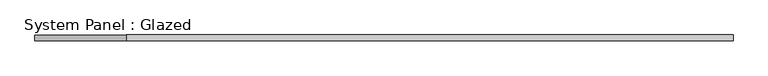
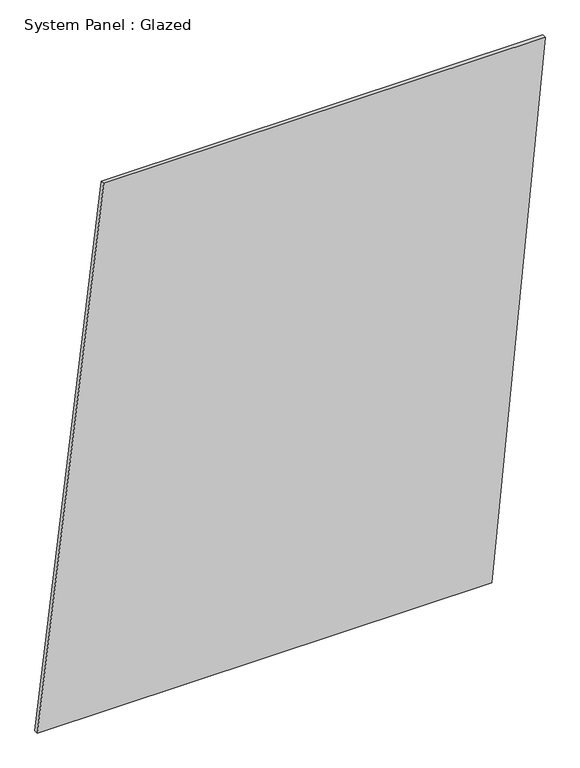
"""IFC4 building model written with IfcOpenShell, lengths in millimetres: plate geometry, System Panel : Glazed."""

from ifc_helpers import new_model, si_unit, frame, origin, place, context, project, spatial, polyline, outline, extrude, source, transform, mapped, element, save


def system_panel_glazed_0836c68f(model_context):
    return source(origin(), model_context, "Body", "SweptSolid", [
        extrude(outline(polyline([(0.0, -1520.9769621), (0.0, 1203.1142415), (3342.1587785, 1520.9769621), (3342.1587785, -1123.6485614), (0.0, -1520.9769621)])), frame((0.0, -49.5, 0.0), z_axis=(0.0, 1.0, 0.0), x_axis=(0.0, 0.0, 1.0)), (0.0, 0.0, 1.0), 25.0),
    ])


if __name__ == "__main__":
    model = new_model("IFC4")
    model_context = context("Model", 3, world=origin())
    ifc_project = project(units=[si_unit("LENGTHUNIT", "METRE", prefix="MILLI")], contexts=[model_context])
    site = spatial("IfcSite", under=ifc_project)
    building = spatial("IfcBuilding", under=site)
    placement = place(None, origin())
    system_panel_glazed_shape = system_panel_glazed_0836c68f(model_context)
    element("IfcPlate", 1, ObjectType="System Panel : Glazed", at=placement, inside=building, context=model_context, shape_type="MappedRepresentation", body=[
        mapped(system_panel_glazed_shape, transform((0.0, 0.0, 0.0), x_axis=(1.0, 0.0, 0.0), y_axis=(0.0, 1.0, 0.0), z_axis=(0.0, 0.0, 1.0))),
    ])
    save(model, "model.ifc")
